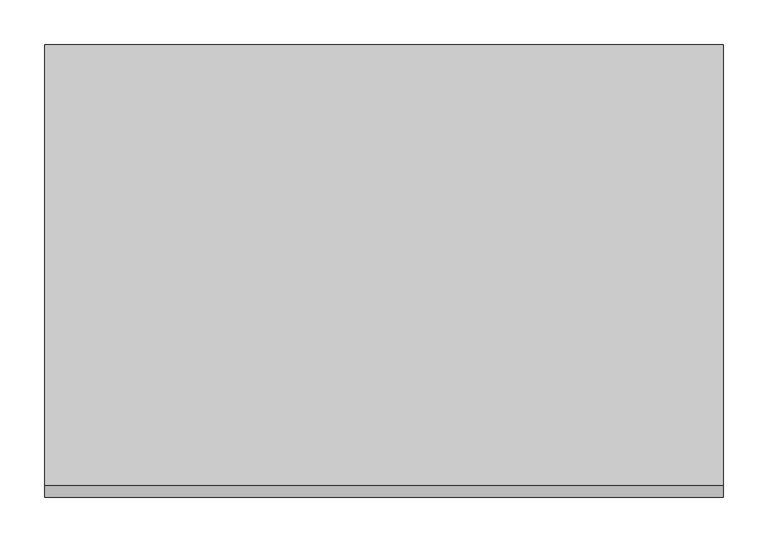
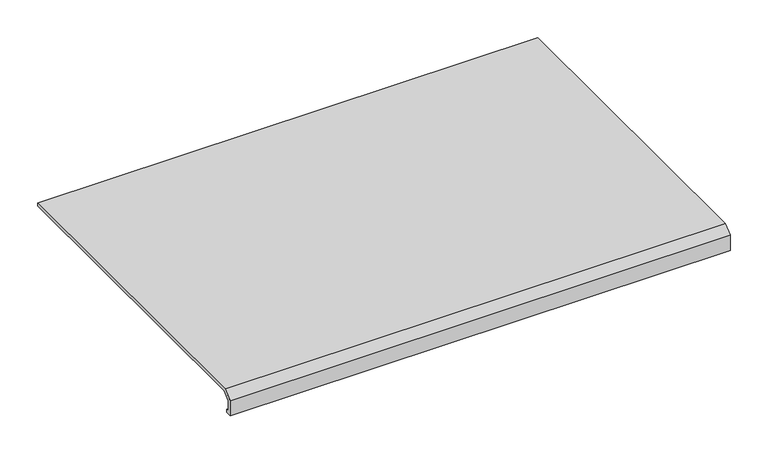
"""IFC4 building model written with IfcOpenShell, lengths in millimetres: furniture geometry."""

from ifc_helpers import new_model, si_unit, frame, origin, place, context, project, spatial, polyline, outline, extrude, source, transform, mapped, element, save


def furniture_55d59e2a(model_context):
    return source(origin(), model_context, "Body", "SweptSolid", [
        extrude(outline(polyline([(-592.5968004, 736.8979469), (-592.5968004, 731.9010136), (-601.9949831, 731.9010136), (-601.9949831, 756.5662454), (-588.5857065, 767.0038128), (-93.9949831, 767.0038128), (-93.9949831, 762.2413128), (-585.9028639, 762.2413128), (-597.0693135, 753.5672056), (-597.0693135, 736.8979469), (-592.5968004, 736.8979469)])), frame((-12.7, 0.0, 0.0), z_axis=(1.0, 0.0, 0.0), x_axis=(0.0, 1.0, 0.0)), (0.0, 0.0, 1.0), 762.0),
    ])


if __name__ == "__main__":
    model = new_model("IFC4")
    model_context = context("Model", 3, world=origin())
    ifc_project = project(units=[si_unit("LENGTHUNIT", "METRE", prefix="MILLI")], contexts=[model_context])
    site = spatial("IfcSite", under=ifc_project)
    building = spatial("IfcBuilding", under=site)
    placement = place(None, origin())
    furniture_shape = furniture_55d59e2a(model_context)
    element("IfcFurniture", 1, at=placement, inside=building, context=model_context, shape_type="MappedRepresentation", body=[
        mapped(furniture_shape, transform((0.0, 0.0, 0.0), x_axis=(1.0, 0.0, 0.0), y_axis=(0.0, 1.0, 0.0), z_axis=(0.0, 0.0, 1.0))),
    ])
    save(model, "model.ifc")
